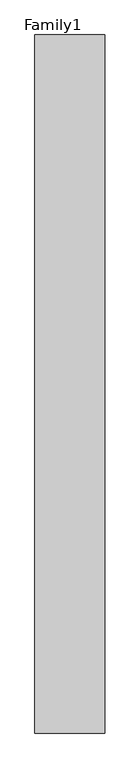
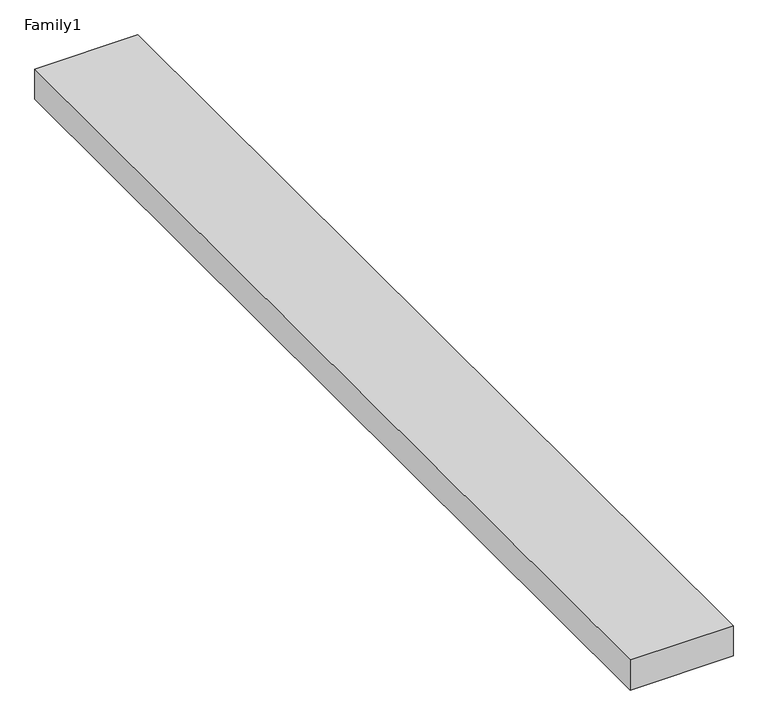
"""IFC4 building model written with IfcOpenShell, lengths in millimetres: proxy geometry, Family1."""

from ifc_helpers import new_model, si_unit, origin, origin_with_axes, place, context, project, spatial, polyline, outline, extrude, source, transform, mapped, element, save


def family1_0195b1c2(model_context):
    return source(origin(), model_context, "Body", "SweptSolid", [
        extrude(outline(polyline([(5000.0, 0.0), (0.0, 0.0), (0.0, 50000.0), (5000.0, 50000.0), (5000.0, 0.0)])), origin_with_axes(), (0.0, 0.0, 1.0), 1555.0),
    ])


if __name__ == "__main__":
    model = new_model("IFC4")
    model_context = context("Model", 3, world=origin())
    ifc_project = project(units=[si_unit("LENGTHUNIT", "METRE", prefix="MILLI")], contexts=[model_context])
    site = spatial("IfcSite", under=ifc_project)
    building = spatial("IfcBuilding", under=site)
    placement = place(None, origin())
    family1_shape = family1_0195b1c2(model_context)
    element("IfcBuildingElementProxy", 1, Name="Family1", ObjectType="Family1", at=placement, inside=building, context=model_context, shape_type="MappedRepresentation", body=[
        mapped(family1_shape, transform((0.0, 0.0, 0.0), x_axis=(1.0, 0.0, 0.0), y_axis=(0.0, 1.0, 0.0), z_axis=(0.0, 0.0, 1.0))),
    ])
    save(model, "model.ifc")
